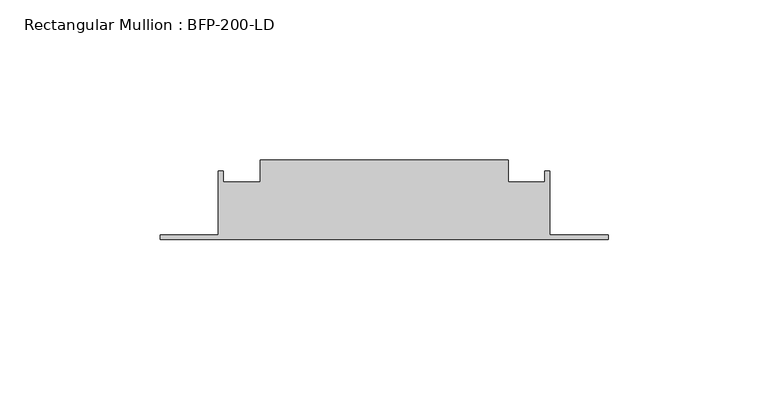
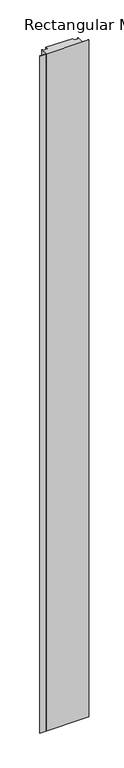
"""IFC4 building model written with IfcOpenShell, lengths in millimetres: member geometry, Rectangular Mullion : BFP-200-LD."""

from ifc_helpers import new_model, si_unit, frame, origin, place, context, project, spatial, polyline, outline, extrude, source, transform, mapped, element, save


def rectangular_mullion_bfp_200_ld_5625d879(model_context):
    return source(origin(), model_context, "Body", "SweptSolid", [
        extrude(outline(polyline([(-108.75, 45.0), (-31.25, 45.0), (-31.25, 38.0), (-19.75, 38.0), (-19.75, 41.5), (-18.25, 41.5), (-18.25, 21.5), (0.0, 21.5), (0.0, 20.0), (-140.0, 20.0), (-140.0, 21.5), (-121.75, 21.5), (-121.75, 41.5), (-120.25, 41.5), (-120.25, 38.0), (-108.75, 38.0), (-108.75, 45.0)])), frame((0.0, 0.0, -2050.0), z_axis=(0.0, 0.0, 1.0), x_axis=(1.0, 0.0, 0.0)), (0.0, 0.0, 1.0), 2050.0),
    ])


if __name__ == "__main__":
    model = new_model("IFC4")
    model_context = context("Model", 3, world=origin())
    ifc_project = project(units=[si_unit("LENGTHUNIT", "METRE", prefix="MILLI")], contexts=[model_context])
    site = spatial("IfcSite", under=ifc_project)
    building = spatial("IfcBuilding", under=site)
    placement = place(None, origin())
    rectangular_mullion_bfp_200_ld_shape = rectangular_mullion_bfp_200_ld_5625d879(model_context)
    element("IfcMember", 1, ObjectType="Rectangular Mullion : BFP-200-LD", at=placement, inside=building, context=model_context, shape_type="MappedRepresentation", body=[
        mapped(rectangular_mullion_bfp_200_ld_shape, transform((0.0, 0.0, 0.0), x_axis=(1.0, 0.0, 0.0), y_axis=(0.0, 1.0, 0.0), z_axis=(0.0, 0.0, 1.0))),
    ])
    save(model, "model.ifc")
